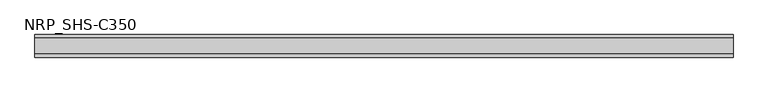
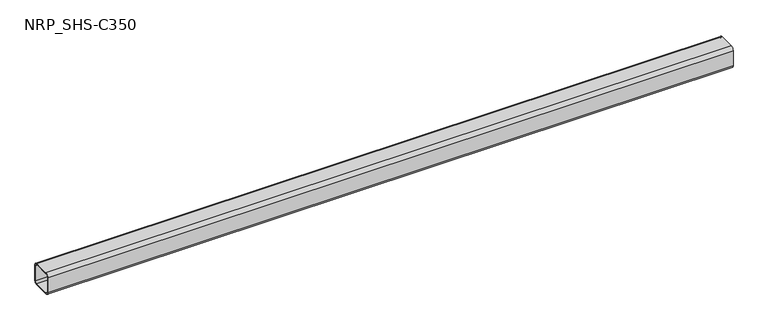
"""IFC4 building model written with IfcOpenShell, lengths in millimetres: member geometry, NRP_SHS-C350."""

import ifcopenshell
import ifcopenshell.guid

model = None  # the IFC model being written
_history = None  # IfcOwnerHistory: only IFC2X3 demands one
_inside = {}  # id of a spatial element -> (the spatial element, [elements in it])
_under = {}  # id of a project, library or spatial element -> (it, [spatial elements below it])
_declared = {}  # id of a project -> (the project, [libraries it declares])
_typed = {}  # id of a type object -> (the type object, [elements of that type])
_made_of = {}  # id of a material, layer set ... -> (it, [elements and type objects made of it])


def new_model(schema):
    """Start an empty IFC model of exactly this schema.

    Asked for "IFC4X3", IfcOpenShell would pick the latest addendum, in which some entities
    have other attributes; the version numbers below select the first issue.
    IFC2X3 requires an IfcOwnerHistory on every rooted entity: one is made here for all.
    """
    global model, _history
    if schema == "IFC4X3":
        model = ifcopenshell.file(schema_version=(4, 3, 0, 0))
    else:
        model = ifcopenshell.file(schema=schema)
    _inside.clear()
    _under.clear()
    _declared.clear()
    _typed.clear()
    _made_of.clear()
    _history = None
    if model.schema == "IFC2X3":
        org = make("IfcOrganization", Name="unknown")
        user = make(
            "IfcPersonAndOrganization",
            ThePerson=make("IfcPerson", FamilyName="unknown"),
            TheOrganization=org,
        )
        app = make(
            "IfcApplication",
            ApplicationDeveloper=org,
            Version="unknown",
            ApplicationFullName="unknown",
            ApplicationIdentifier="unknown",
        )
        _history = make(
            "IfcOwnerHistory",
            OwningUser=user,
            OwningApplication=app,
            ChangeAction="ADDED",
            CreationDate=0,
        )
    return model


def make(cls, **values):
    """One entity of the class cls with the attributes given. An attribute that is None is left unset."""
    return model.create_entity(
        cls, **{name: value for name, value in values.items() if value is not None}
    )


def rooted(cls, **values):
    """An entity with a GlobalId (a new one), such as an element, a storey or a relation."""
    return make(cls, GlobalId=ifcopenshell.guid.new(), OwnerHistory=_history, **values)


def si_unit(unit_type, name, prefix=None):
    """IfcSIUnit, for example si_unit("LENGTHUNIT", "METRE", prefix="MILLI")."""
    return make("IfcSIUnit", UnitType=unit_type, Prefix=prefix, Name=name)


def assignment(units):
    """IfcUnitAssignment: the units of a project."""
    return None if units is None else make("IfcUnitAssignment", Units=units)


def point(xyz):
    """IfcCartesianPoint."""
    return None if xyz is None else make("IfcCartesianPoint", Coordinates=xyz)


def direction(xyz):
    """IfcDirection."""
    return None if xyz is None else make("IfcDirection", DirectionRatios=xyz)


def frame(location, z_axis=None, x_axis=None):
    """IfcAxis2Placement3D, a coordinate frame: its origin and axes. An axis left out is left unset."""
    return make(
        "IfcAxis2Placement3D",
        Location=point(location),
        Axis=direction(z_axis),
        RefDirection=direction(x_axis),
    )


def frame_2d(location, x_axis=None):
    """IfcAxis2Placement2D, a coordinate frame in the plane: its origin and x axis."""
    return make(
        "IfcAxis2Placement2D", Location=point(location), RefDirection=direction(x_axis)
    )


def origin():
    """The frame at (0, 0, 0) with its axes left unset."""
    return frame((0.0, 0.0, 0.0))


def place(relative_to, where):
    """IfcLocalPlacement: puts the frame where relative to a parent placement (None: the world)."""
    return make(
        "IfcLocalPlacement", PlacementRelTo=relative_to, RelativePlacement=where
    )


def context(
    kind, dimensions, precision=None, world=None, true_north=None, identifier=None
):
    """IfcGeometricRepresentationContext, for example the 3D "Model" context."""
    return make(
        "IfcGeometricRepresentationContext",
        ContextIdentifier=identifier,
        ContextType=kind,
        CoordinateSpaceDimension=dimensions,
        Precision=precision,
        WorldCoordinateSystem=world,
        TrueNorth=true_north,
    )


def project(units=None, contexts=None):
    """IfcProject with its units and contexts."""
    return rooted(
        "IfcProject",
        Name="project",
        RepresentationContexts=contexts,
        UnitsInContext=assignment(units),
    )


def spatial(cls, under=None, at=None, **own):
    """A site, building, storey or space (cls), placed at a placement, below another one or the project."""
    s = rooted(cls, ObjectPlacement=at, **own)
    if under is not None:
        _under.setdefault(under.id(), (under, []))[1].append(s)
    return s


def polyline(points):
    """IfcPolyline through the points."""
    return make("IfcPolyline", Points=[point(p) for p in points])


def circle_curve(where, radius):
    """IfcCircle in the frame where."""
    return make("IfcCircle", Position=where, Radius=radius)


def trimmed(basis, trim1, trim2, sense, master):
    """IfcTrimmedCurve: the piece of a basis curve between two trims."""
    return make(
        "IfcTrimmedCurve",
        BasisCurve=basis,
        Trim1=trim1,
        Trim2=trim2,
        SenseAgreement=sense,
        MasterRepresentation=master,
    )


def segment(curve, same_sense, transition):
    """IfcCompositeCurveSegment."""
    return make(
        "IfcCompositeCurveSegment",
        Transition=transition,
        SameSense=same_sense,
        ParentCurve=curve,
    )


def composite_curve(segments, self_intersect=None):
    """IfcCompositeCurve: segments joined end to end."""
    return make("IfcCompositeCurve", Segments=segments, SelfIntersect=self_intersect)


def outline(outer, holes=None, kind="AREA"):
    """IfcArbitraryClosedProfileDef: a profile drawn as a closed curve; with holes, ...WithVoids."""
    if holes is None:
        return make("IfcArbitraryClosedProfileDef", ProfileType=kind, OuterCurve=outer)
    return make(
        "IfcArbitraryProfileDefWithVoids",
        ProfileType=kind,
        OuterCurve=outer,
        InnerCurves=holes,
    )


def extrude(swept, where, along, depth):
    """IfcExtrudedAreaSolid: the profile swept, set in the frame where, extruded along a direction by depth."""
    return make(
        "IfcExtrudedAreaSolid",
        SweptArea=swept,
        Position=where,
        ExtrudedDirection=direction(along),
        Depth=depth,
    )


def shape(context_of_items, identifier, shape_type, items):
    """IfcShapeRepresentation: the items that make up one representation, for example the "Body"."""
    return make(
        "IfcShapeRepresentation",
        ContextOfItems=context_of_items,
        RepresentationIdentifier=identifier,
        RepresentationType=shape_type,
        Items=items,
    )


def source(mapping_origin, context_of_items, identifier, shape_type, items):
    """IfcRepresentationMap: a shape defined once, which mapped items show again and again."""
    return make(
        "IfcRepresentationMap",
        MappingOrigin=mapping_origin,
        MappedRepresentation=shape(context_of_items, identifier, shape_type, items),
    )


def transform(
    local_origin,
    x_axis=None,
    y_axis=None,
    z_axis=None,
    scale=None,
    scale2=None,
    scale3=None,
    uniform=True,
):
    """IfcCartesianTransformationOperator3D, or its non-uniform kind. x_axis, y_axis, z_axis: its Axis1, 2, 3."""
    if uniform:
        return make(
            "IfcCartesianTransformationOperator3D",
            Axis1=direction(x_axis),
            Axis2=direction(y_axis),
            LocalOrigin=point(local_origin),
            Scale=scale,
            Axis3=direction(z_axis),
        )
    return make(
        "IfcCartesianTransformationOperator3DnonUniform",
        Axis1=direction(x_axis),
        Axis2=direction(y_axis),
        LocalOrigin=point(local_origin),
        Scale=scale,
        Axis3=direction(z_axis),
        Scale2=scale2,
        Scale3=scale3,
    )


def mapped(mapping_source, mapping_target):
    """IfcMappedItem: shows the shape of a source again, moved by a transform."""
    return make(
        "IfcMappedItem", MappingSource=mapping_source, MappingTarget=mapping_target
    )


def made_of(thing, what):
    """Note that an element or type object is made of a material, layer set ...; save() writes the relation."""
    if what is not None:
        _made_of.setdefault(what.id(), (what, []))[1].append(thing)
    return thing


def element(
    cls,
    number,
    at=None,
    inside=None,
    cuts=None,
    type_object=None,
    material=None,
    context=None,
    identifier="Body",
    shape_type=None,
    held_by="IfcProductDefinitionShape",
    body=None,
    shapes=None,
    **own,
):
    """One element of the class cls, such as IfcWall. Its Tag is "e" and its number.

    at: its placement. inside: the storey or other place that contains it. cuts: it is an
    opening in that element (IfcRelVoidsElement). A single representation is given by context,
    identifier, shape_type and body (its items); several are given by shapes. held_by: the class
    of the entity that holds the representations. save() writes the other relations.
    """
    e = rooted(cls, Tag="e%d" % number, ObjectPlacement=at, **own)
    if body is not None:
        shapes = [shape(context, identifier, shape_type, body)]
    if shapes is not None:
        e.Representation = make(held_by, Representations=shapes)
    if inside is not None:
        _inside.setdefault(inside.id(), (inside, []))[1].append(e)
    if cuts is not None:
        rooted(
            "IfcRelVoidsElement", RelatingBuildingElement=cuts, RelatedOpeningElement=e
        )
    if type_object is not None:
        _typed.setdefault(type_object.id(), (type_object, []))[1].append(e)
    return made_of(e, material)


def aggregate(whole, parts):
    """IfcRelAggregates: a whole, such as a stair, and the parts it consists of."""
    return rooted("IfcRelAggregates", RelatingObject=whole, RelatedObjects=parts)


def save(model, path):
    """Write the relations noted so far, then the file.

    IfcRelAggregates (storeys below a building ...), IfcRelContainedInSpatialStructure (elements
    in a storey), IfcRelDefinesByType, IfcRelAssociatesMaterial and IfcRelDeclares: one each for
    every whole, place, type object, material and project.
    """
    for whole, parts in _under.values():
        aggregate(whole, parts)
    for where, things in _inside.values():
        rooted(
            "IfcRelContainedInSpatialStructure",
            RelatedElements=things,
            RelatingStructure=where,
        )
    for kind, things in _typed.values():
        rooted("IfcRelDefinesByType", RelatedObjects=things, RelatingType=kind)
    for what, things in _made_of.values():
        rooted("IfcRelAssociatesMaterial", RelatedObjects=things, RelatingMaterial=what)
    for by, libraries in _declared.values():
        rooted("IfcRelDeclares", RelatingContext=by, RelatedDefinitions=libraries)
    model.write(path)


def nrp_shs_c350_6710a425(model_context):
    return source(origin(), model_context, "Body", "SweptSolid", [
        extrude(outline(composite_curve([segment(trimmed(circle_curve(frame_2d((-32.0, 32.0)), 12.5), [point((-44.5, 32.0))], [point((-32.0, 44.5))], False, "CARTESIAN"), True, "CONTINUOUS"), segment(polyline([(-32.0, 44.5), (32.0, 44.5)]), True, "CONTINUOUS"), segment(trimmed(circle_curve(frame_2d((32.0, 32.0)), 12.5), [point((32.0, 44.5))], [point((44.5, 32.0))], False, "CARTESIAN"), True, "CONTINUOUS"), segment(polyline([(44.5, 32.0), (44.5, -32.0)]), True, "CONTINUOUS"), segment(trimmed(circle_curve(frame_2d((32.0, -32.0)), 12.5), [point((44.5, -32.0))], [point((32.0, -44.5))], False, "CARTESIAN"), True, "CONTINUOUS"), segment(polyline([(32.0, -44.5), (-32.0, -44.5)]), True, "CONTINUOUS"), segment(trimmed(circle_curve(frame_2d((-32.0, -32.0)), 12.5), [point((-32.0, -44.5))], [point((-44.5, -32.0))], False, "CARTESIAN"), True, "CONTINUOUS"), segment(polyline([(-44.5, -32.0), (-44.5, 32.0)]), True, "CONTINUOUS")], self_intersect=False), holes=[composite_curve([segment(polyline([(32.0, 39.5), (-32.0, 39.5)]), True, "CONTINUOUS"), segment(trimmed(circle_curve(frame_2d((-32.0, 32.0)), 7.5), [point((-32.0, 39.5))], [point((-39.5, 32.0))], True, "CARTESIAN"), True, "CONTINUOUS"), segment(polyline([(-39.5, 32.0), (-39.5, -32.0)]), True, "CONTINUOUS"), segment(trimmed(circle_curve(frame_2d((-32.0, -32.0)), 7.5), [point((-39.5, -32.0))], [point((-32.0, -39.5))], True, "CARTESIAN"), True, "CONTINUOUS"), segment(polyline([(-32.0, -39.5), (32.0, -39.5)]), True, "CONTINUOUS"), segment(trimmed(circle_curve(frame_2d((32.0, -32.0)), 7.5), [point((32.0, -39.5))], [point((39.5, -32.0))], True, "CARTESIAN"), True, "CONTINUOUS"), segment(polyline([(39.5, -32.0), (39.5, 32.0)]), True, "CONTINUOUS"), segment(trimmed(circle_curve(frame_2d((32.0, 32.0)), 7.5), [point((39.5, 32.0))], [point((32.0, 39.5))], True, "CARTESIAN"), True, "CONTINUOUS")], self_intersect=False)]), frame((-1372.0, 0.0, 0.0), z_axis=(1.0, 0.0, 0.0), x_axis=(0.0, 1.0, 0.0)), (0.0, 0.0, 1.0), 2744.0),
    ])


if __name__ == "__main__":
    model = new_model("IFC4")
    model_context = context("Model", 3, world=origin())
    ifc_project = project(units=[si_unit("LENGTHUNIT", "METRE", prefix="MILLI")], contexts=[model_context])
    site = spatial("IfcSite", under=ifc_project)
    building = spatial("IfcBuilding", under=site)
    placement = place(None, origin())
    nrp_shs_c350_shape = nrp_shs_c350_6710a425(model_context)
    element("IfcMember", 1, ObjectType="NRP_SHS-C350", at=placement, inside=building, context=model_context, shape_type="MappedRepresentation", body=[
        mapped(nrp_shs_c350_shape, transform((0.0, 0.0, 0.0), x_axis=(1.0, 0.0, 0.0), y_axis=(0.0, 1.0, 0.0), z_axis=(0.0, 0.0, 1.0))),
    ])
    save(model, "model.ifc")
